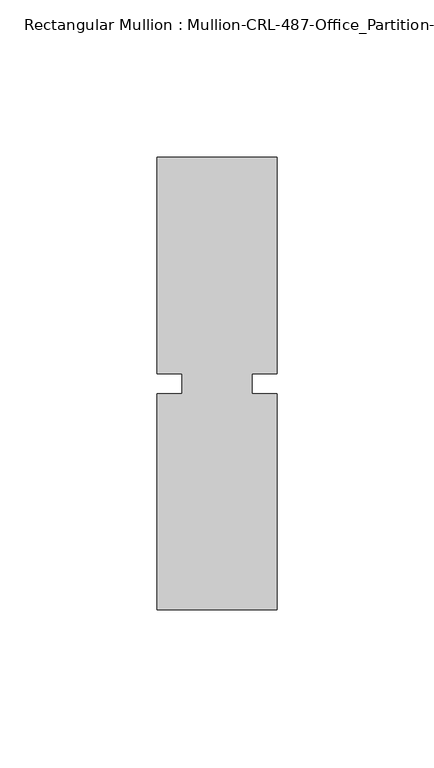
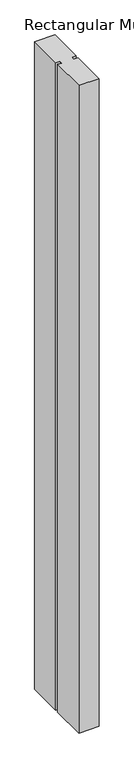
"""IFC4 building model written with IfcOpenShell, lengths in millimetres: member geometry, Rectangular Mullion : Mullion-CRL-487-Office_Partition-Intermediate_Vertical."""

from ifc_helpers import new_model, si_unit, frame, origin, place, context, project, spatial, polyline, outline, extrude, source, transform, mapped, element, save


def rectangular_mullion_mullion_crl_487_office_partition_7a6fd0e5(model_context):
    return source(origin(), model_context, "Body", "SweptSolid", [
        extrude(outline(polyline([(-19.05, 3.175), (-19.05, 71.9452142), (19.05, 71.9452142), (19.05, 3.175), (11.1125, 3.175), (11.1125, -3.175), (19.05, -3.175), (19.05, -71.9452143), (-19.05, -71.9452143), (-19.05, -3.175), (-11.1125, -3.175), (-11.1125, 3.175), (-19.05, 3.175)])), frame((0.0, 0.0, -1289.05), z_axis=(0.0, 0.0, 1.0), x_axis=(1.0, 0.0, 0.0)), (0.0, 0.0, 1.0), 1289.05),
    ])


if __name__ == "__main__":
    model = new_model("IFC4")
    model_context = context("Model", 3, world=origin())
    ifc_project = project(units=[si_unit("LENGTHUNIT", "METRE", prefix="MILLI")], contexts=[model_context])
    site = spatial("IfcSite", under=ifc_project)
    building = spatial("IfcBuilding", under=site)
    placement = place(None, origin())
    rectangular_mullion_mullion_crl_487_office_partition_shape = rectangular_mullion_mullion_crl_487_office_partition_7a6fd0e5(model_context)
    element("IfcMember", 1, ObjectType="Rectangular Mullion : Mullion-CRL-487-Office_Partition-Intermediate_Vertical", at=placement, inside=building, context=model_context, shape_type="MappedRepresentation", body=[
        mapped(rectangular_mullion_mullion_crl_487_office_partition_shape, transform((0.0, 0.0, 0.0), x_axis=(1.0, 0.0, 0.0), y_axis=(0.0, 1.0, 0.0), z_axis=(0.0, 0.0, 1.0))),
    ])
    save(model, "model.ifc")
